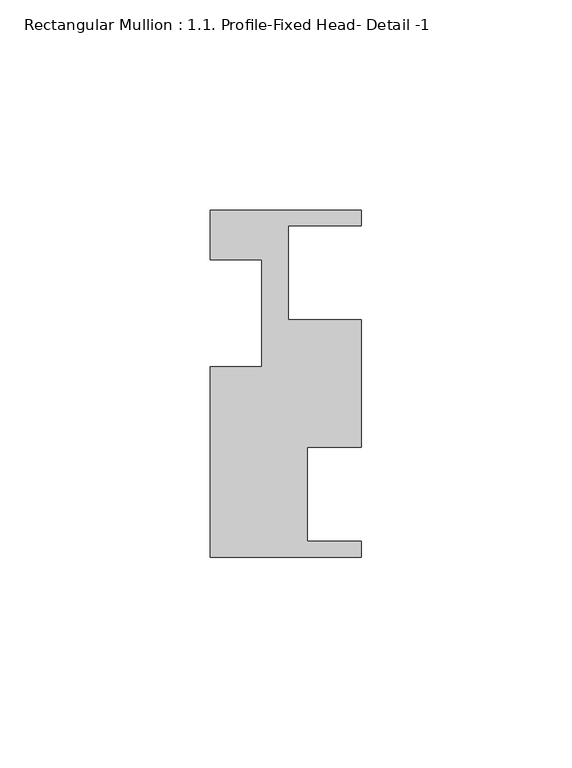
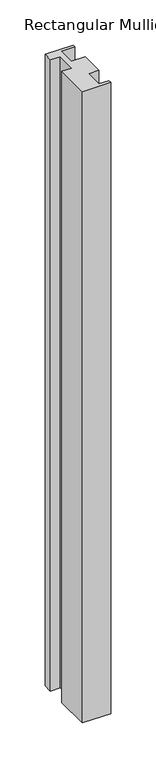
"""IFC4 building model written with IfcOpenShell, lengths in millimetres: member geometry, Rectangular Mullion : 1.1. Profile-Fixed Head- Detail -1."""

from ifc_helpers import new_model, si_unit, frame, origin, place, context, project, spatial, polyline, outline, extrude, source, transform, mapped, element, save


def rectangular_mullion_1_1_profile_fixed_head_detail_1_78aae2d7(model_context):
    return source(origin(), model_context, "Body", "SweptSolid", [
        extrude(outline(polyline([(0.0, 41.5525867), (0.0, 37.8187867), (-17.4244, 37.8187867), (-17.4244, 15.4413867), (-1.04e-05, 15.4413867), (-1.04e-05, -14.8862133), (-12.9286, -14.8862133), (-12.9286, -37.2636133), (0.0, -37.2636133), (0.0, -40.9974133), (-35.9918, -40.9974133), (-35.9918, 4.3161867), (-23.7744, 4.3161867), (-23.7744, 29.7161867), (-35.9918, 29.7161867), (-35.9918, 41.5525867), (0.0, 41.5525867)])), frame((0.0, 0.0, -853.4908), z_axis=(0.0, 0.0, 1.0), x_axis=(1.0, 0.0, 0.0)), (0.0, 0.0, 1.0), 853.4908),
    ])


if __name__ == "__main__":
    model = new_model("IFC4")
    model_context = context("Model", 3, world=origin())
    ifc_project = project(units=[si_unit("LENGTHUNIT", "METRE", prefix="MILLI")], contexts=[model_context])
    site = spatial("IfcSite", under=ifc_project)
    building = spatial("IfcBuilding", under=site)
    placement = place(None, origin())
    rectangular_mullion_1_1_profile_fixed_head_detail_1_shape = rectangular_mullion_1_1_profile_fixed_head_detail_1_78aae2d7(model_context)
    element("IfcMember", 1, ObjectType="Rectangular Mullion : 1.1. Profile-Fixed Head- Detail -1", at=placement, inside=building, context=model_context, shape_type="MappedRepresentation", body=[
        mapped(rectangular_mullion_1_1_profile_fixed_head_detail_1_shape, transform((0.0, 0.0, 0.0), x_axis=(1.0, 0.0, 0.0), y_axis=(0.0, 1.0, 0.0), z_axis=(0.0, 0.0, 1.0))),
    ])
    save(model, "model.ifc")
